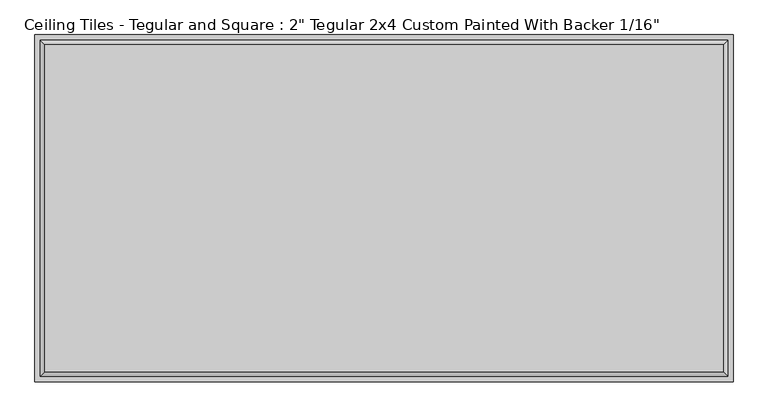
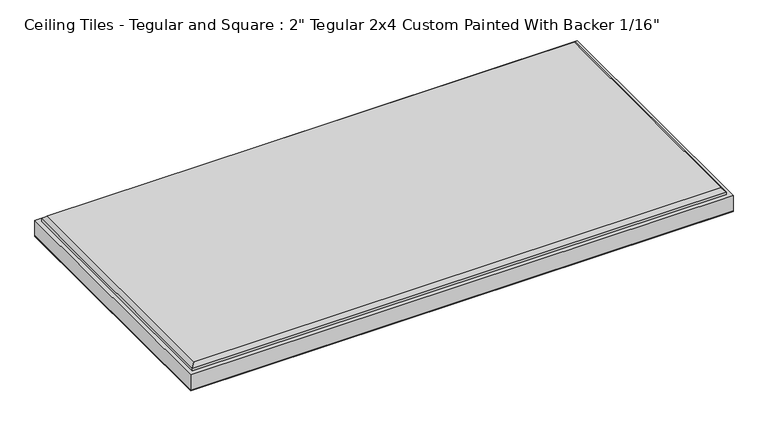
"""IFC4 building model written with IfcOpenShell, lengths in millimetres: proxy geometry."""

import ifcopenshell
import ifcopenshell.guid

model = None  # the IFC model being written
_history = None  # IfcOwnerHistory: only IFC2X3 demands one
_inside = {}  # id of a spatial element -> (the spatial element, [elements in it])
_under = {}  # id of a project, library or spatial element -> (it, [spatial elements below it])
_declared = {}  # id of a project -> (the project, [libraries it declares])
_typed = {}  # id of a type object -> (the type object, [elements of that type])
_made_of = {}  # id of a material, layer set ... -> (it, [elements and type objects made of it])


def new_model(schema):
    """Start an empty IFC model of exactly this schema.

    Asked for "IFC4X3", IfcOpenShell would pick the latest addendum, in which some entities
    have other attributes; the version numbers below select the first issue.
    IFC2X3 requires an IfcOwnerHistory on every rooted entity: one is made here for all.
    """
    global model, _history
    if schema == "IFC4X3":
        model = ifcopenshell.file(schema_version=(4, 3, 0, 0))
    else:
        model = ifcopenshell.file(schema=schema)
    _inside.clear()
    _under.clear()
    _declared.clear()
    _typed.clear()
    _made_of.clear()
    _history = None
    if model.schema == "IFC2X3":
        org = make("IfcOrganization", Name="unknown")
        user = make(
            "IfcPersonAndOrganization",
            ThePerson=make("IfcPerson", FamilyName="unknown"),
            TheOrganization=org,
        )
        app = make(
            "IfcApplication",
            ApplicationDeveloper=org,
            Version="unknown",
            ApplicationFullName="unknown",
            ApplicationIdentifier="unknown",
        )
        _history = make(
            "IfcOwnerHistory",
            OwningUser=user,
            OwningApplication=app,
            ChangeAction="ADDED",
            CreationDate=0,
        )
    return model


def make(cls, **values):
    """One entity of the class cls with the attributes given. An attribute that is None is left unset."""
    return model.create_entity(
        cls, **{name: value for name, value in values.items() if value is not None}
    )


def rooted(cls, **values):
    """An entity with a GlobalId (a new one), such as an element, a storey or a relation."""
    return make(cls, GlobalId=ifcopenshell.guid.new(), OwnerHistory=_history, **values)


def si_unit(unit_type, name, prefix=None):
    """IfcSIUnit, for example si_unit("LENGTHUNIT", "METRE", prefix="MILLI")."""
    return make("IfcSIUnit", UnitType=unit_type, Prefix=prefix, Name=name)


def assignment(units):
    """IfcUnitAssignment: the units of a project."""
    return None if units is None else make("IfcUnitAssignment", Units=units)


def point(xyz):
    """IfcCartesianPoint."""
    return None if xyz is None else make("IfcCartesianPoint", Coordinates=xyz)


def direction(xyz):
    """IfcDirection."""
    return None if xyz is None else make("IfcDirection", DirectionRatios=xyz)


def frame(location, z_axis=None, x_axis=None):
    """IfcAxis2Placement3D, a coordinate frame: its origin and axes. An axis left out is left unset."""
    return make(
        "IfcAxis2Placement3D",
        Location=point(location),
        Axis=direction(z_axis),
        RefDirection=direction(x_axis),
    )


def origin():
    """The frame at (0, 0, 0) with its axes left unset."""
    return frame((0.0, 0.0, 0.0))


def origin_with_axes():
    """The frame at (0, 0, 0) with the z axis (0, 0, 1) and the x axis (1, 0, 0) written out."""
    return frame((0.0, 0.0, 0.0), z_axis=(0.0, 0.0, 1.0), x_axis=(1.0, 0.0, 0.0))


def place(relative_to, where):
    """IfcLocalPlacement: puts the frame where relative to a parent placement (None: the world)."""
    return make(
        "IfcLocalPlacement", PlacementRelTo=relative_to, RelativePlacement=where
    )


def context(
    kind, dimensions, precision=None, world=None, true_north=None, identifier=None
):
    """IfcGeometricRepresentationContext, for example the 3D "Model" context."""
    return make(
        "IfcGeometricRepresentationContext",
        ContextIdentifier=identifier,
        ContextType=kind,
        CoordinateSpaceDimension=dimensions,
        Precision=precision,
        WorldCoordinateSystem=world,
        TrueNorth=true_north,
    )


def project(units=None, contexts=None):
    """IfcProject with its units and contexts."""
    return rooted(
        "IfcProject",
        Name="project",
        RepresentationContexts=contexts,
        UnitsInContext=assignment(units),
    )


def spatial(cls, under=None, at=None, **own):
    """A site, building, storey or space (cls), placed at a placement, below another one or the project."""
    s = rooted(cls, ObjectPlacement=at, **own)
    if under is not None:
        _under.setdefault(under.id(), (under, []))[1].append(s)
    return s


def polyline(points):
    """IfcPolyline through the points."""
    return make("IfcPolyline", Points=[point(p) for p in points])


def outline(outer, holes=None, kind="AREA"):
    """IfcArbitraryClosedProfileDef: a profile drawn as a closed curve; with holes, ...WithVoids."""
    if holes is None:
        return make("IfcArbitraryClosedProfileDef", ProfileType=kind, OuterCurve=outer)
    return make(
        "IfcArbitraryProfileDefWithVoids",
        ProfileType=kind,
        OuterCurve=outer,
        InnerCurves=holes,
    )


def extrude(swept, where, along, depth):
    """IfcExtrudedAreaSolid: the profile swept, set in the frame where, extruded along a direction by depth."""
    return make(
        "IfcExtrudedAreaSolid",
        SweptArea=swept,
        Position=where,
        ExtrudedDirection=direction(along),
        Depth=depth,
    )


def faces_of(points, faces, orient=None, outer=None):
    """IfcFace entities. A face is a list of loops; a loop is a list of indices into points, from 0.

    orient and outer hold one flag for each loop. By default every Orientation is true, the
    first loop of a face is its IfcFaceOuterBound and the others are IfcFaceBound.
    """
    made = []
    for i, loops in enumerate(faces):
        bounds = []
        for j, loop in enumerate(loops):
            is_outer = j == 0 if outer is None else outer[i][j]
            bounds.append(
                make(
                    "IfcFaceOuterBound" if is_outer else "IfcFaceBound",
                    Bound=make("IfcPolyLoop", Polygon=[points[k] for k in loop]),
                    Orientation=True if orient is None else orient[i][j],
                )
            )
        made.append(make("IfcFace", Bounds=bounds))
    return made


def faceted_brep(points, faces, orient=None, outer=None, voids=None):
    """IfcFacetedBrep: a solid bounded by flat faces; with voids (closed shells), ...WithVoids."""
    shared = [point(p) for p in points]
    hull = make("IfcClosedShell", CfsFaces=faces_of(shared, faces, orient, outer))
    if voids is None:
        return make("IfcFacetedBrep", Outer=hull)
    return make(
        "IfcFacetedBrepWithVoids",
        Outer=hull,
        Voids=[
            make(cls, CfsFaces=faces_of(shared, fs, o, b)) for cls, fs, o, b in voids
        ],
    )


def shape(context_of_items, identifier, shape_type, items):
    """IfcShapeRepresentation: the items that make up one representation, for example the "Body"."""
    return make(
        "IfcShapeRepresentation",
        ContextOfItems=context_of_items,
        RepresentationIdentifier=identifier,
        RepresentationType=shape_type,
        Items=items,
    )


def source(mapping_origin, context_of_items, identifier, shape_type, items):
    """IfcRepresentationMap: a shape defined once, which mapped items show again and again."""
    return make(
        "IfcRepresentationMap",
        MappingOrigin=mapping_origin,
        MappedRepresentation=shape(context_of_items, identifier, shape_type, items),
    )


def transform(
    local_origin,
    x_axis=None,
    y_axis=None,
    z_axis=None,
    scale=None,
    scale2=None,
    scale3=None,
    uniform=True,
):
    """IfcCartesianTransformationOperator3D, or its non-uniform kind. x_axis, y_axis, z_axis: its Axis1, 2, 3."""
    if uniform:
        return make(
            "IfcCartesianTransformationOperator3D",
            Axis1=direction(x_axis),
            Axis2=direction(y_axis),
            LocalOrigin=point(local_origin),
            Scale=scale,
            Axis3=direction(z_axis),
        )
    return make(
        "IfcCartesianTransformationOperator3DnonUniform",
        Axis1=direction(x_axis),
        Axis2=direction(y_axis),
        LocalOrigin=point(local_origin),
        Scale=scale,
        Axis3=direction(z_axis),
        Scale2=scale2,
        Scale3=scale3,
    )


def mapped(mapping_source, mapping_target):
    """IfcMappedItem: shows the shape of a source again, moved by a transform."""
    return make(
        "IfcMappedItem", MappingSource=mapping_source, MappingTarget=mapping_target
    )


def made_of(thing, what):
    """Note that an element or type object is made of a material, layer set ...; save() writes the relation."""
    if what is not None:
        _made_of.setdefault(what.id(), (what, []))[1].append(thing)
    return thing


def element(
    cls,
    number,
    at=None,
    inside=None,
    cuts=None,
    type_object=None,
    material=None,
    context=None,
    identifier="Body",
    shape_type=None,
    held_by="IfcProductDefinitionShape",
    body=None,
    shapes=None,
    **own,
):
    """One element of the class cls, such as IfcWall. Its Tag is "e" and its number.

    at: its placement. inside: the storey or other place that contains it. cuts: it is an
    opening in that element (IfcRelVoidsElement). A single representation is given by context,
    identifier, shape_type and body (its items); several are given by shapes. held_by: the class
    of the entity that holds the representations. save() writes the other relations.
    """
    e = rooted(cls, Tag="e%d" % number, ObjectPlacement=at, **own)
    if body is not None:
        shapes = [shape(context, identifier, shape_type, body)]
    if shapes is not None:
        e.Representation = make(held_by, Representations=shapes)
    if inside is not None:
        _inside.setdefault(inside.id(), (inside, []))[1].append(e)
    if cuts is not None:
        rooted(
            "IfcRelVoidsElement", RelatingBuildingElement=cuts, RelatedOpeningElement=e
        )
    if type_object is not None:
        _typed.setdefault(type_object.id(), (type_object, []))[1].append(e)
    return made_of(e, material)


def aggregate(whole, parts):
    """IfcRelAggregates: a whole, such as a stair, and the parts it consists of."""
    return rooted("IfcRelAggregates", RelatingObject=whole, RelatedObjects=parts)


def save(model, path):
    """Write the relations noted so far, then the file.

    IfcRelAggregates (storeys below a building ...), IfcRelContainedInSpatialStructure (elements
    in a storey), IfcRelDefinesByType, IfcRelAssociatesMaterial and IfcRelDeclares: one each for
    every whole, place, type object, material and project.
    """
    for whole, parts in _under.values():
        aggregate(whole, parts)
    for where, things in _inside.values():
        rooted(
            "IfcRelContainedInSpatialStructure",
            RelatedElements=things,
            RelatingStructure=where,
        )
    for kind, things in _typed.values():
        rooted("IfcRelDefinesByType", RelatedObjects=things, RelatingType=kind)
    for what, things in _made_of.values():
        rooted("IfcRelAssociatesMaterial", RelatedObjects=things, RelatingMaterial=what)
    for by, libraries in _declared.values():
        rooted("IfcRelDeclares", RelatingContext=by, RelatedDefinitions=libraries)
    model.write(path)


def proxy_39ce7c6a(model_context):
    return source(origin(), model_context, "Body", "SolidModel", [
        extrude(outline(polyline([(606.425, 301.625), (606.425, -301.625), (-606.425, -301.625), (-606.425, 301.625), (606.425, 301.625)])), origin_with_axes(), (0.0, 0.0, 1.0), 1.5875),
        faceted_brep([(588.899, 284.099, 52.3875), (-588.899, 284.099, 52.3875), (-588.899, -284.099, 52.3875), (588.899, -284.099, 52.3875), (-606.425, 301.625, 1.5875), (606.425, 301.625, 1.5875), (606.425, -301.625, 1.5875), (-606.425, -301.625, 1.5875), (-606.425, -301.625, 38.1), (-606.425, 301.625, 38.1), (606.425, -301.625, 38.1), (606.425, 301.625, 38.1), (596.9, 292.1, 44.3865), (-596.9, 292.1, 44.3865), (-596.9, -292.1, 44.3865), (596.9, -292.1, 44.3865), (596.9, 292.1, 38.1), (-596.9, 292.1, 38.1), (-596.9, -292.1, 38.1), (596.9, -292.1, 38.1)], [[[0, 1, 2, 3]], [[4, 5, 6, 7]], [[4, 7, 8, 9]], [[7, 6, 10, 8]], [[6, 5, 11, 10]], [[5, 4, 9, 11]], [[12, 13, 1, 0]], [[1, 13, 14, 2]], [[2, 14, 15, 3]], [[12, 0, 3, 15]], [[16, 17, 13, 12]], [[13, 17, 18, 14]], [[14, 18, 19, 15]], [[16, 12, 15, 19]], [[9, 8, 10, 11], [17, 16, 19, 18]]]),
    ])


if __name__ == "__main__":
    model = new_model("IFC4")
    model_context = context("Model", 3, world=origin())
    ifc_project = project(units=[si_unit("LENGTHUNIT", "METRE", prefix="MILLI")], contexts=[model_context])
    site = spatial("IfcSite", under=ifc_project)
    building = spatial("IfcBuilding", under=site)
    placement = place(None, origin())
    proxy_shape = proxy_39ce7c6a(model_context)
    element("IfcBuildingElementProxy", 1, Name="Ceiling Tiles - Tegular and Square : 2\" Tegular 2x4 Custom Painted With Backer 1/16\"", ObjectType="Ceiling Tiles - Tegular and Square : 2\" Tegular 2x4 Custom Painted With Backer 1/16\"", at=placement, inside=building, context=model_context, shape_type="MappedRepresentation", body=[
        mapped(proxy_shape, transform((0.0, 0.0, 0.0), x_axis=(1.0, 0.0, 0.0), y_axis=(0.0, 1.0, 0.0), z_axis=(0.0, 0.0, 1.0))),
    ])
    save(model, "model.ifc")
